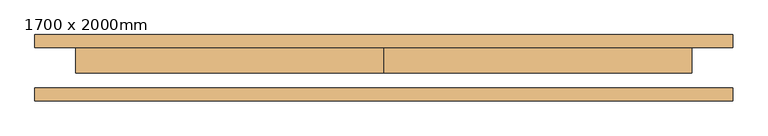
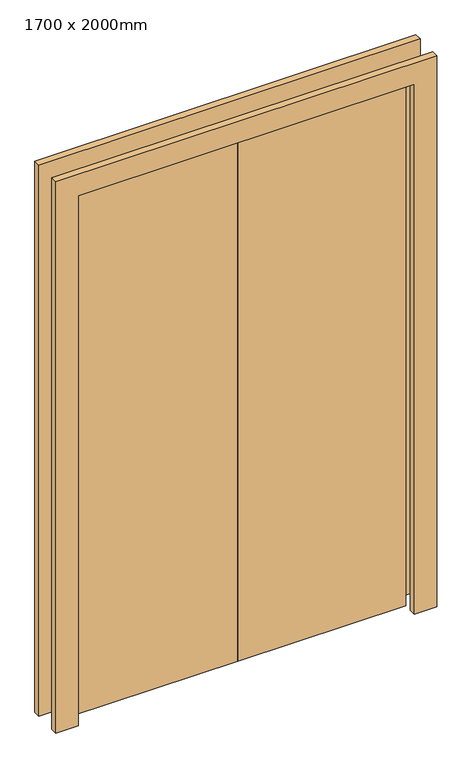
"""IFC4 building model written with IfcOpenShell, lengths in millimetres: door geometry, 1700 x 2000mm."""

from ifc_helpers import new_model, si_unit, frame, origin, origin_with_axes, place, context, project, spatial, polyline, outline, extrude, source, transform, mapped, element, save


def door_1700_x_2000mm_f41f0b7a(model_context):
    return source(origin(), model_context, "Body", "SweptSolid", [
        extrude(outline(polyline([(2000.0, -600.0), (2000.0, 600.0), (0.0, 600.0), (0.0, 680.0), (2080.0, 680.0), (2080.0, -680.0), (0.0, -680.0), (0.0, -600.0), (2000.0, -600.0)])), frame((0.0, -64.5, 0.0), z_axis=(0.0, 1.0, 0.0), x_axis=(0.0, 0.0, 1.0)), (0.0, 0.0, 1.0), 25.0),
        extrude(outline(polyline([(2000.0, -600.0), (2000.0, 600.0), (0.0, 600.0), (0.0, 680.0), (2080.0, 680.0), (2080.0, -680.0), (0.0, -680.0), (0.0, -600.0), (2000.0, -600.0)])), frame((0.0, 39.5, 0.0), z_axis=(0.0, 1.0, 0.0), x_axis=(0.0, 0.0, 1.0)), (0.0, 0.0, 1.0), 25.0),
        extrude(outline(polyline([(0.0, 39.5), (600.0, 39.5), (600.0, -10.5), (0.0, -10.5), (0.0, 39.5)])), origin_with_axes(), (0.0, 0.0, 1.0), 2000.0),
        extrude(outline(polyline([(-600.0, 39.5), (0.0, 39.5), (0.0, -10.5), (-600.0, -10.5), (-600.0, 39.5)])), origin_with_axes(), (0.0, 0.0, 1.0), 2000.0),
    ])


if __name__ == "__main__":
    model = new_model("IFC4")
    model_context = context("Model", 3, world=origin())
    ifc_project = project(units=[si_unit("LENGTHUNIT", "METRE", prefix="MILLI")], contexts=[model_context])
    site = spatial("IfcSite", under=ifc_project)
    building = spatial("IfcBuilding", under=site)
    placement = place(None, origin())
    door_1700_x_2000mm_shape = door_1700_x_2000mm_f41f0b7a(model_context)
    element("IfcDoor", 1, ObjectType="1700 x 2000mm", at=placement, inside=building, context=model_context, shape_type="MappedRepresentation", body=[
        mapped(door_1700_x_2000mm_shape, transform((0.0, 0.0, 0.0), x_axis=(1.0, 0.0, 0.0), y_axis=(0.0, 1.0, 0.0), z_axis=(0.0, 0.0, 1.0))),
    ])
    save(model, "model.ifc")
